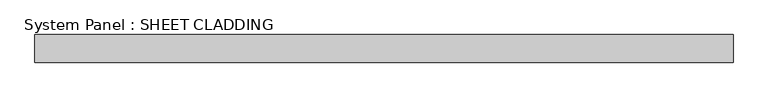
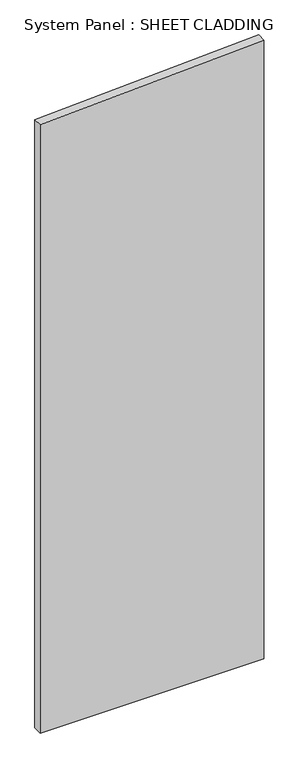
"""IFC4 building model written with IfcOpenShell, lengths in millimetres: plate geometry, System Panel : SHEET CLADDING."""

from ifc_helpers import new_model, si_unit, frame, origin, place, context, project, spatial, polyline, outline, extrude, source, transform, mapped, element, save


def system_panel_sheet_cladding_9834ea56(model_context):
    return source(origin(), model_context, "Body", "SweptSolid", [
        extrude(outline(polyline([(0.0, -750.0), (0.0, 750.0), (4385.1, 750.0), (4310.1, -750.0), (0.0, -750.0)])), frame((0.0, -49.5, 0.0), z_axis=(0.0, 1.0, 0.0), x_axis=(0.0, 0.0, 1.0)), (0.0, 0.0, 1.0), 60.0),
    ])


if __name__ == "__main__":
    model = new_model("IFC4")
    model_context = context("Model", 3, world=origin())
    ifc_project = project(units=[si_unit("LENGTHUNIT", "METRE", prefix="MILLI")], contexts=[model_context])
    site = spatial("IfcSite", under=ifc_project)
    building = spatial("IfcBuilding", under=site)
    placement = place(None, origin())
    system_panel_sheet_cladding_shape = system_panel_sheet_cladding_9834ea56(model_context)
    element("IfcPlate", 1, ObjectType="System Panel : SHEET CLADDING", at=placement, inside=building, context=model_context, shape_type="MappedRepresentation", body=[
        mapped(system_panel_sheet_cladding_shape, transform((0.0, 0.0, 0.0), x_axis=(1.0, 0.0, 0.0), y_axis=(0.0, 1.0, 0.0), z_axis=(0.0, 0.0, 1.0))),
    ])
    save(model, "model.ifc")
